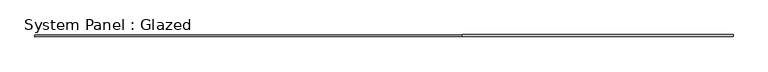
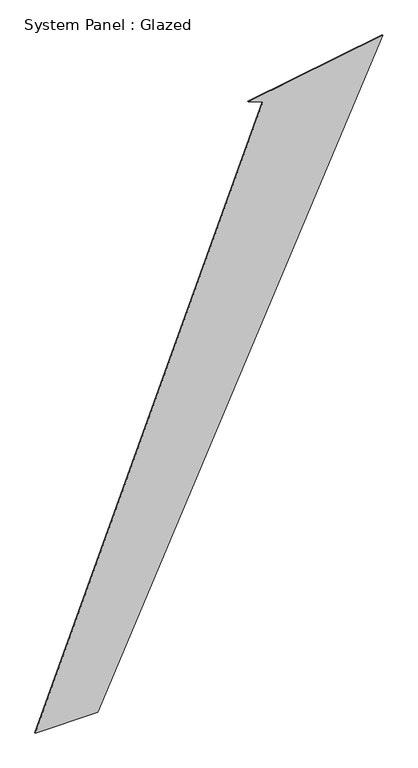
"""IFC4 building model written with IfcOpenShell, lengths in millimetres: plate geometry, System Panel : Glazed."""

from ifc_helpers import new_model, si_unit, frame, origin, place, context, project, spatial, polyline, outline, extrude, source, transform, mapped, element, save


def system_panel_glazed_2190a710(model_context):
    return source(origin(), model_context, "Body", "SweptSolid", [
        extrude(outline(polyline([(0.0, -4372.6757275), (0.0, -2800.6432155), (15506.7279589, 4372.6757275), (14929.6669541, 981.052711), (14785.1941573, 1354.0508491), (0.0, -4372.6757275)])), frame((0.0, -77.5, 0.0), z_axis=(0.0, 1.0, 0.0), x_axis=(0.0, 0.0, 1.0)), (0.0, 0.0, 1.0), 25.0),
    ])


if __name__ == "__main__":
    model = new_model("IFC4")
    model_context = context("Model", 3, world=origin())
    ifc_project = project(units=[si_unit("LENGTHUNIT", "METRE", prefix="MILLI")], contexts=[model_context])
    site = spatial("IfcSite", under=ifc_project)
    building = spatial("IfcBuilding", under=site)
    placement = place(None, origin())
    system_panel_glazed_shape = system_panel_glazed_2190a710(model_context)
    element("IfcPlate", 1, ObjectType="System Panel : Glazed", at=placement, inside=building, context=model_context, shape_type="MappedRepresentation", body=[
        mapped(system_panel_glazed_shape, transform((0.0, 0.0, 0.0), x_axis=(1.0, 0.0, 0.0), y_axis=(0.0, 1.0, 0.0), z_axis=(0.0, 0.0, 1.0))),
    ])
    save(model, "model.ifc")
